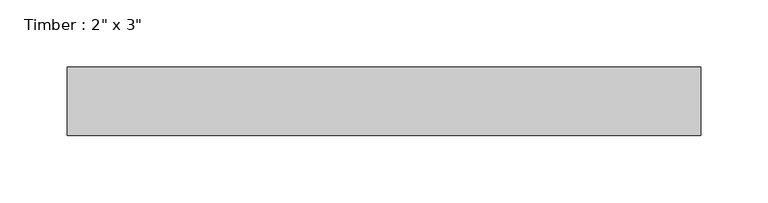
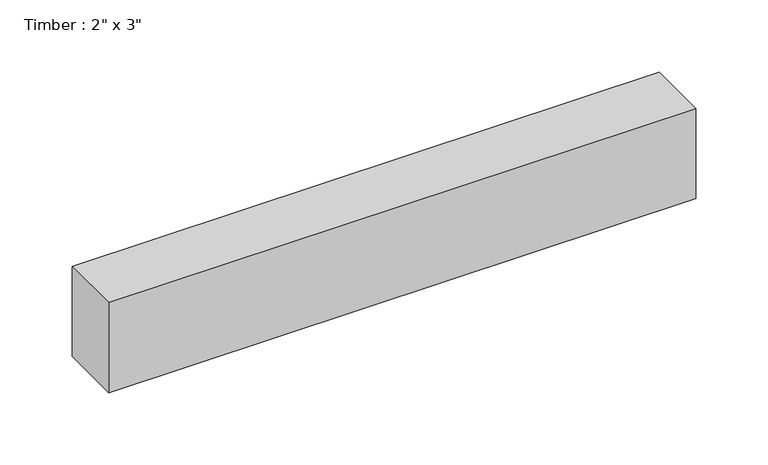
"""IFC4 building model written with IfcOpenShell, lengths in millimetres: beam geometry."""

from ifc_helpers import new_model, si_unit, frame, origin, place, context, project, spatial, polyline, outline, extrude, source, transform, mapped, element, save


def beam_2a83e108(model_context):
    return source(origin(), model_context, "Body", "SweptSolid", [
        extrude(outline(polyline([(234.7233607, 25.4), (234.7233607, -25.4), (-234.7233607, -25.4), (-234.7233607, 25.4), (234.7233607, 25.4)])), frame((0.0, 0.0, -38.1), z_axis=(0.0, 0.0, 1.0), x_axis=(1.0, 0.0, 0.0)), (0.0, 0.0, 1.0), 76.2),
    ])


if __name__ == "__main__":
    model = new_model("IFC4")
    model_context = context("Model", 3, world=origin())
    ifc_project = project(units=[si_unit("LENGTHUNIT", "METRE", prefix="MILLI")], contexts=[model_context])
    site = spatial("IfcSite", under=ifc_project)
    building = spatial("IfcBuilding", under=site)
    placement = place(None, origin())
    beam_shape = beam_2a83e108(model_context)
    element("IfcBeam", 1, ObjectType="Timber : 2\" x 3\"", at=placement, inside=building, context=model_context, shape_type="MappedRepresentation", body=[
        mapped(beam_shape, transform((0.0, 0.0, 0.0), x_axis=(1.0, 0.0, 0.0), y_axis=(0.0, 1.0, 0.0), z_axis=(0.0, 0.0, 1.0))),
    ])
    save(model, "model.ifc")
